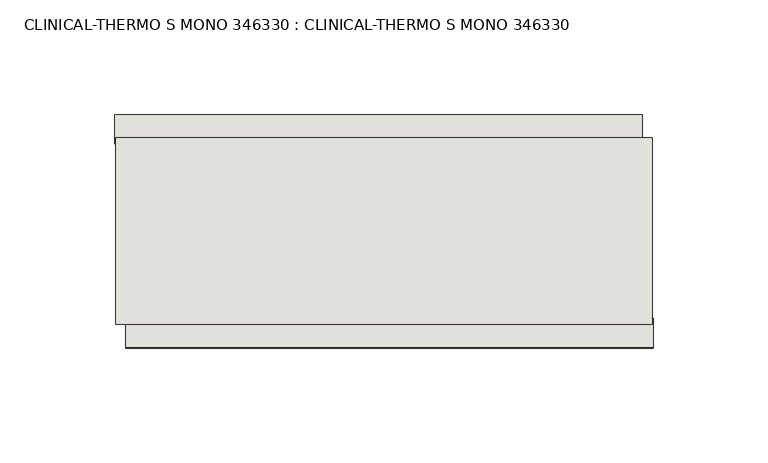
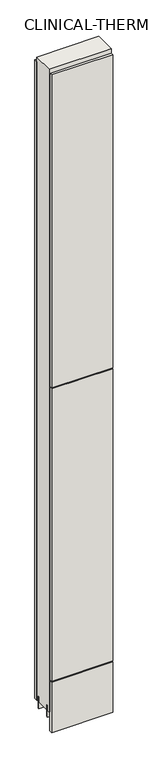
"""IFC4 building model written with IfcOpenShell, lengths in millimetres: wall geometry, CLINICAL-THERMO S MONO 346330 : CLINICAL-THERMO S MONO 346330."""

import ifcopenshell
import ifcopenshell.guid

model = None  # the IFC model being written
_history = None  # IfcOwnerHistory: only IFC2X3 demands one
_inside = {}  # id of a spatial element -> (the spatial element, [elements in it])
_under = {}  # id of a project, library or spatial element -> (it, [spatial elements below it])
_declared = {}  # id of a project -> (the project, [libraries it declares])
_typed = {}  # id of a type object -> (the type object, [elements of that type])
_made_of = {}  # id of a material, layer set ... -> (it, [elements and type objects made of it])


def new_model(schema):
    """Start an empty IFC model of exactly this schema.

    Asked for "IFC4X3", IfcOpenShell would pick the latest addendum, in which some entities
    have other attributes; the version numbers below select the first issue.
    IFC2X3 requires an IfcOwnerHistory on every rooted entity: one is made here for all.
    """
    global model, _history
    if schema == "IFC4X3":
        model = ifcopenshell.file(schema_version=(4, 3, 0, 0))
    else:
        model = ifcopenshell.file(schema=schema)
    _inside.clear()
    _under.clear()
    _declared.clear()
    _typed.clear()
    _made_of.clear()
    _history = None
    if model.schema == "IFC2X3":
        org = make("IfcOrganization", Name="unknown")
        user = make(
            "IfcPersonAndOrganization",
            ThePerson=make("IfcPerson", FamilyName="unknown"),
            TheOrganization=org,
        )
        app = make(
            "IfcApplication",
            ApplicationDeveloper=org,
            Version="unknown",
            ApplicationFullName="unknown",
            ApplicationIdentifier="unknown",
        )
        _history = make(
            "IfcOwnerHistory",
            OwningUser=user,
            OwningApplication=app,
            ChangeAction="ADDED",
            CreationDate=0,
        )
    return model


def make(cls, **values):
    """One entity of the class cls with the attributes given. An attribute that is None is left unset."""
    return model.create_entity(
        cls, **{name: value for name, value in values.items() if value is not None}
    )


def rooted(cls, **values):
    """An entity with a GlobalId (a new one), such as an element, a storey or a relation."""
    return make(cls, GlobalId=ifcopenshell.guid.new(), OwnerHistory=_history, **values)


def si_unit(unit_type, name, prefix=None):
    """IfcSIUnit, for example si_unit("LENGTHUNIT", "METRE", prefix="MILLI")."""
    return make("IfcSIUnit", UnitType=unit_type, Prefix=prefix, Name=name)


def assignment(units):
    """IfcUnitAssignment: the units of a project."""
    return None if units is None else make("IfcUnitAssignment", Units=units)


def point(xyz):
    """IfcCartesianPoint."""
    return None if xyz is None else make("IfcCartesianPoint", Coordinates=xyz)


def direction(xyz):
    """IfcDirection."""
    return None if xyz is None else make("IfcDirection", DirectionRatios=xyz)


def frame(location, z_axis=None, x_axis=None):
    """IfcAxis2Placement3D, a coordinate frame: its origin and axes. An axis left out is left unset."""
    return make(
        "IfcAxis2Placement3D",
        Location=point(location),
        Axis=direction(z_axis),
        RefDirection=direction(x_axis),
    )


def origin():
    """The frame at (0, 0, 0) with its axes left unset."""
    return frame((0.0, 0.0, 0.0))


def place(relative_to, where):
    """IfcLocalPlacement: puts the frame where relative to a parent placement (None: the world)."""
    return make(
        "IfcLocalPlacement", PlacementRelTo=relative_to, RelativePlacement=where
    )


def context(
    kind, dimensions, precision=None, world=None, true_north=None, identifier=None
):
    """IfcGeometricRepresentationContext, for example the 3D "Model" context."""
    return make(
        "IfcGeometricRepresentationContext",
        ContextIdentifier=identifier,
        ContextType=kind,
        CoordinateSpaceDimension=dimensions,
        Precision=precision,
        WorldCoordinateSystem=world,
        TrueNorth=true_north,
    )


def project(units=None, contexts=None):
    """IfcProject with its units and contexts."""
    return rooted(
        "IfcProject",
        Name="project",
        RepresentationContexts=contexts,
        UnitsInContext=assignment(units),
    )


def spatial(cls, under=None, at=None, **own):
    """A site, building, storey or space (cls), placed at a placement, below another one or the project."""
    s = rooted(cls, ObjectPlacement=at, **own)
    if under is not None:
        _under.setdefault(under.id(), (under, []))[1].append(s)
    return s


def polyline(points):
    """IfcPolyline through the points."""
    return make("IfcPolyline", Points=[point(p) for p in points])


def outline(outer, holes=None, kind="AREA"):
    """IfcArbitraryClosedProfileDef: a profile drawn as a closed curve; with holes, ...WithVoids."""
    if holes is None:
        return make("IfcArbitraryClosedProfileDef", ProfileType=kind, OuterCurve=outer)
    return make(
        "IfcArbitraryProfileDefWithVoids",
        ProfileType=kind,
        OuterCurve=outer,
        InnerCurves=holes,
    )


def extrude(swept, where, along, depth):
    """IfcExtrudedAreaSolid: the profile swept, set in the frame where, extruded along a direction by depth."""
    return make(
        "IfcExtrudedAreaSolid",
        SweptArea=swept,
        Position=where,
        ExtrudedDirection=direction(along),
        Depth=depth,
    )


def shape(context_of_items, identifier, shape_type, items):
    """IfcShapeRepresentation: the items that make up one representation, for example the "Body"."""
    return make(
        "IfcShapeRepresentation",
        ContextOfItems=context_of_items,
        RepresentationIdentifier=identifier,
        RepresentationType=shape_type,
        Items=items,
    )


def source(mapping_origin, context_of_items, identifier, shape_type, items):
    """IfcRepresentationMap: a shape defined once, which mapped items show again and again."""
    return make(
        "IfcRepresentationMap",
        MappingOrigin=mapping_origin,
        MappedRepresentation=shape(context_of_items, identifier, shape_type, items),
    )


def transform(
    local_origin,
    x_axis=None,
    y_axis=None,
    z_axis=None,
    scale=None,
    scale2=None,
    scale3=None,
    uniform=True,
):
    """IfcCartesianTransformationOperator3D, or its non-uniform kind. x_axis, y_axis, z_axis: its Axis1, 2, 3."""
    if uniform:
        return make(
            "IfcCartesianTransformationOperator3D",
            Axis1=direction(x_axis),
            Axis2=direction(y_axis),
            LocalOrigin=point(local_origin),
            Scale=scale,
            Axis3=direction(z_axis),
        )
    return make(
        "IfcCartesianTransformationOperator3DnonUniform",
        Axis1=direction(x_axis),
        Axis2=direction(y_axis),
        LocalOrigin=point(local_origin),
        Scale=scale,
        Axis3=direction(z_axis),
        Scale2=scale2,
        Scale3=scale3,
    )


def mapped(mapping_source, mapping_target):
    """IfcMappedItem: shows the shape of a source again, moved by a transform."""
    return make(
        "IfcMappedItem", MappingSource=mapping_source, MappingTarget=mapping_target
    )


def made_of(thing, what):
    """Note that an element or type object is made of a material, layer set ...; save() writes the relation."""
    if what is not None:
        _made_of.setdefault(what.id(), (what, []))[1].append(thing)
    return thing


def element(
    cls,
    number,
    at=None,
    inside=None,
    cuts=None,
    type_object=None,
    material=None,
    context=None,
    identifier="Body",
    shape_type=None,
    held_by="IfcProductDefinitionShape",
    body=None,
    shapes=None,
    **own,
):
    """One element of the class cls, such as IfcWall. Its Tag is "e" and its number.

    at: its placement. inside: the storey or other place that contains it. cuts: it is an
    opening in that element (IfcRelVoidsElement). A single representation is given by context,
    identifier, shape_type and body (its items); several are given by shapes. held_by: the class
    of the entity that holds the representations. save() writes the other relations.
    """
    e = rooted(cls, Tag="e%d" % number, ObjectPlacement=at, **own)
    if body is not None:
        shapes = [shape(context, identifier, shape_type, body)]
    if shapes is not None:
        e.Representation = make(held_by, Representations=shapes)
    if inside is not None:
        _inside.setdefault(inside.id(), (inside, []))[1].append(e)
    if cuts is not None:
        rooted(
            "IfcRelVoidsElement", RelatingBuildingElement=cuts, RelatedOpeningElement=e
        )
    if type_object is not None:
        _typed.setdefault(type_object.id(), (type_object, []))[1].append(e)
    return made_of(e, material)


def aggregate(whole, parts):
    """IfcRelAggregates: a whole, such as a stair, and the parts it consists of."""
    return rooted("IfcRelAggregates", RelatingObject=whole, RelatedObjects=parts)


def save(model, path):
    """Write the relations noted so far, then the file.

    IfcRelAggregates (storeys below a building ...), IfcRelContainedInSpatialStructure (elements
    in a storey), IfcRelDefinesByType, IfcRelAssociatesMaterial and IfcRelDeclares: one each for
    every whole, place, type object, material and project.
    """
    for whole, parts in _under.values():
        aggregate(whole, parts)
    for where, things in _inside.values():
        rooted(
            "IfcRelContainedInSpatialStructure",
            RelatedElements=things,
            RelatingStructure=where,
        )
    for kind, things in _typed.values():
        rooted("IfcRelDefinesByType", RelatedObjects=things, RelatingType=kind)
    for what, things in _made_of.values():
        rooted("IfcRelAssociatesMaterial", RelatedObjects=things, RelatingMaterial=what)
    for by, libraries in _declared.values():
        rooted("IfcRelDeclares", RelatingContext=by, RelatedDefinitions=libraries)
    model.write(path)


def clinical_thermo_s_mono_346330_clinical_thermo_s_mono_346330_a5f8b6f8(model_context):
    return source(origin(), model_context, "Body", "SweptSolid", [
        extrude(outline(polyline([(82008.958918, -37797.5831042), (82006.418918, -37797.5831042), (82006.418918, -37795.0431042), (82008.958918, -37795.0431042), (82008.958918, -37797.5831042)])), frame((0.0, 0.0, 4419.6), z_axis=(0.0, 0.0, 1.0), x_axis=(1.0, 0.0, 0.0)), (0.0, 0.0, 1.0), 2.54),
        extrude(outline(polyline([(81774.2359559, -37745.5131042), (82004.4927725, -37745.5131042), (82004.4927725, -37758.2131042), (81774.2359559, -37758.2131042), (81774.2359559, -37745.5131042)])), frame((0.0, 0.0, 4445.0), z_axis=(0.0, 0.0, 1.0), x_axis=(1.0, 0.0, 0.0)), (0.0, 0.0, 1.0), 2545.0498756),
        extrude(outline(polyline([(82009.4289069, -37847.1131042), (81779.1720903, -37847.1131042), (81779.1720903, -37834.4131042), (82009.4289069, -37834.4131042), (82009.4289069, -37847.1131042)])), frame((0.0, 0.0, 4573.9999706), z_axis=(0.0, 0.0, 1.0), x_axis=(1.0, 0.0, 0.0)), (0.0, 0.0, 1.0), 1164.400008),
        extrude(outline(polyline([(82009.4289069, -37847.1131042), (81779.1720903, -37847.1131042), (81779.1720903, -37834.4131042), (82009.4289069, -37834.4131042), (82009.4289069, -37847.1131042)])), frame((0.0, 0.0, 5742.399869), z_axis=(0.0, 0.0, 1.0), x_axis=(1.0, 0.0, 0.0)), (0.0, 0.0, 1.0), 1247.649905),
        extrude(outline(polyline([(82009.4289069, -37847.1131042), (81779.1720903, -37847.1131042), (81779.1720903, -37834.4131042), (82009.4289069, -37834.4131042), (82009.4289069, -37847.1131042)])), frame((0.0, 0.0, 4368.1000014), z_axis=(0.0, 0.0, 1.0), x_axis=(1.0, 0.0, 0.0)), (0.0, 0.0, 1.0), 201.9000026),
        extrude(outline(polyline([(82008.953965, -37771.223162), (81774.7170954, -37771.223162), (81774.7170954, -37766.1413078), (82008.953965, -37766.1413078), (82008.953965, -37771.223162)])), frame((0.0, 0.0, 4418.6602), z_axis=(0.0, 0.0, 1.0), x_axis=(1.0, 0.0, 0.0)), (0.0, 0.0, 1.0), 47.625),
        extrude(outline(polyline([(82008.953965, -37771.223162), (81774.7170954, -37771.223162), (81774.7170954, -37766.1413078), (82008.953965, -37766.1413078), (82008.953965, -37771.223162)])), frame((0.0, 0.0, 4418.6602), z_axis=(0.0, 0.0, 1.0), x_axis=(1.0, 0.0, 0.0)), (0.0, 0.0, 1.0), 47.625),
        extrude(outline(polyline([(81774.7170954, -37821.3875524), (82008.953965, -37821.3875524), (82008.953965, -37826.4663078), (81774.7170954, -37826.4663078), (81774.7170954, -37821.3875524)])), frame((0.0, 0.0, 4418.6602), z_axis=(0.0, 0.0, 1.0), x_axis=(1.0, 0.0, 0.0)), (0.0, 0.0, 1.0), 47.625),
        extrude(outline(polyline([(81774.7170954, -37821.3875524), (82008.953965, -37821.3875524), (82008.953965, -37826.4663078), (81774.7170954, -37826.4663078), (81774.7170954, -37821.3875524)])), frame((0.0, 0.0, 4418.6602), z_axis=(0.0, 0.0, 1.0), x_axis=(1.0, 0.0, 0.0)), (0.0, 0.0, 1.0), 47.625),
        extrude(outline(polyline([(82008.953965, -37755.676838), (82008.953965, -37836.9586922), (81774.7170954, -37836.9586922), (81774.7170954, -37755.676838), (82008.953965, -37755.676838)])), frame((0.0, 0.0, 4445.0), z_axis=(0.0, 0.0, 1.0), x_axis=(1.0, 0.0, 0.0)), (0.0, 0.0, 1.0), 2562.4536762),
    ])


if __name__ == "__main__":
    model = new_model("IFC4")
    model_context = context("Model", 3, world=origin())
    ifc_project = project(units=[si_unit("LENGTHUNIT", "METRE", prefix="MILLI")], contexts=[model_context])
    site = spatial("IfcSite", under=ifc_project)
    building = spatial("IfcBuilding", under=site)
    placement = place(None, origin())
    clinical_thermo_s_mono_346330_clinical_thermo_s_mono_346330_shape = clinical_thermo_s_mono_346330_clinical_thermo_s_mono_346330_a5f8b6f8(model_context)
    element("IfcWall", 1, ObjectType="CLINICAL-THERMO S MONO 346330 : CLINICAL-THERMO S MONO 346330", at=placement, inside=building, context=model_context, shape_type="MappedRepresentation", body=[
        mapped(clinical_thermo_s_mono_346330_clinical_thermo_s_mono_346330_shape, transform((0.0, 0.0, 0.0), x_axis=(1.0, 0.0, 0.0), y_axis=(0.0, 1.0, 0.0), z_axis=(0.0, 0.0, 1.0))),
    ])
    save(model, "model.ifc")
